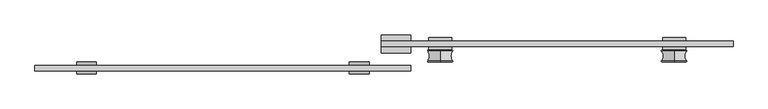
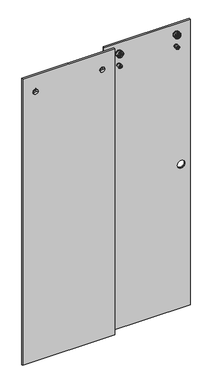
"""IFC4 building model written with IfcOpenShell, lengths in millimetres: proxy geometry."""

from ifc_helpers import new_model, si_unit, point, frame, frame_2d, origin, place, context, project, spatial, polyline, circle_curve, ellipse_curve, trimmed, segment, composite_curve, outline, extrude, source, transform, mapped, element, save
from ifc_brep_helpers import plane_surface, cylinder_surface, revolved_surface, advanced_brep


def specialty_equipment_37bfa9a5(model_context):
    return source(origin(), model_context, "Body", "SolidModel", [
        extrude(outline(polyline([(22.954, 0.0), (22.954, 21.2725), (33.8125, 21.2725), (33.8125, 4.2672), (43.3375, 4.2672), (43.3375, 21.2725), (54.196, 21.2725), (54.196, 0.0), (22.954, 0.0)])), frame((-4.7625, 0.0, 0.0), z_axis=(1.0, 0.0, 0.0), x_axis=(0.0, 1.0, 0.0)), (0.0, 0.0, 1.0), 50.8225782),
        advanced_brep(
        [(-42.8625, 7.14375, 2011.5609375), (-25.7175, 7.14375, 2011.5609375), (-60.0075, 7.14375, 2011.5609375), (-60.0075, -13.7914063, 2011.5609375), (-25.7175, -13.7914063, 2011.5609375), (-42.8625, -13.7914063, 2011.5609375), (-60.0075, -8.73125, 2011.5609375), (-25.7175, -8.73125, 2011.5609375), (-49.2125, -8.73125, 2011.5609375), (-36.5125, -8.73125, 2011.5609375), (-49.2125, 0.79375, 2011.5609375), (-36.5125, 0.79375, 2011.5609375), (-60.0075, 0.79375, 2011.5609375), (-25.7175, 0.79375, 2011.5609375)],
        [
            (0, 1),
            (1, 2, circle_curve(frame((-42.8625, 7.14375, 2011.5609375), z_axis=(0.0, 1.0, 0.0), x_axis=(1.0, 0.0, 0.0)), 17.145)),
            (2, 0),
            (2, 1, circle_curve(frame((-42.8625, 7.14375, 2011.5609375), z_axis=(0.0, 1.0, 0.0), x_axis=(1.0, 0.0, 0.0)), 17.145)),
            (3, 4, circle_curve(frame((-42.8625, -13.7914063, 2011.5609375), z_axis=(0.0, -1.0, 0.0), x_axis=(1.0, 0.0, 0.0)), 17.145)),
            (4, 5),
            (5, 3),
            (4, 3, circle_curve(frame((-42.8625, -13.7914063, 2011.5609375), z_axis=(0.0, -1.0, 0.0), x_axis=(1.0, 0.0, 0.0)), 17.145)),
            (6, 7, circle_curve(frame((-42.8625, -8.73125, 2011.5609375), z_axis=(0.0, -1.0, 0.0), x_axis=(1.0, 0.0, 0.0)), 17.145)),
            (7, 4),
            (3, 6),
            (7, 6, circle_curve(frame((-42.8625, -8.73125, 2011.5609375), z_axis=(0.0, -1.0, 0.0), x_axis=(1.0, 0.0, 0.0)), 17.145)),
            (8, 9, circle_curve(frame((-42.8625, -8.73125, 2011.5609375), z_axis=(0.0, -1.0, 0.0), x_axis=(1.0, 0.0, 0.0)), 6.35)),
            (9, 7),
            (6, 8),
            (9, 8, circle_curve(frame((-42.8625, -8.73125, 2011.5609375), z_axis=(0.0, -1.0, 0.0), x_axis=(1.0, 0.0, 0.0)), 6.35)),
            (10, 11, circle_curve(frame((-42.8625, 0.79375, 2011.5609375), z_axis=(0.0, -1.0, 0.0), x_axis=(1.0, 0.0, 0.0)), 6.35)),
            (11, 9),
            (8, 10),
            (11, 10, circle_curve(frame((-42.8625, 0.79375, 2011.5609375), z_axis=(0.0, -1.0, 0.0), x_axis=(1.0, 0.0, 0.0)), 6.35)),
            (12, 13, circle_curve(frame((-42.8625, 0.79375, 2011.5609375), z_axis=(0.0, -1.0, 0.0), x_axis=(1.0, 0.0, 0.0)), 17.145)),
            (13, 11),
            (10, 12),
            (13, 12, circle_curve(frame((-42.8625, 0.79375, 2011.5609375), z_axis=(0.0, -1.0, 0.0), x_axis=(1.0, 0.0, 0.0)), 17.145)),
            (1, 13),
            (12, 2),
        ],
        [
            plane_surface(frame((-42.8625, 7.14375, 2011.5609375), z_axis=(0.0, 1.0, 0.0), x_axis=(1.0, 0.0, 0.0))),
            plane_surface(frame((-42.8625, -13.7914063, 2011.5609375), z_axis=(0.0, -1.0, 0.0), x_axis=(1.0, 0.0, 0.0))),
            cylinder_surface(frame((-42.8625, 7.14375, 2011.5609375), z_axis=(0.0, 1.0, 0.0), x_axis=(1.0, 0.0, 0.0)), 17.145),
            plane_surface(frame((-42.8625, -8.73125, 2011.5609375), z_axis=(0.0, 1.0, 0.0), x_axis=(1.0, 0.0, 0.0))),
            cylinder_surface(frame((-42.8625, 7.14375, 2011.5609375), z_axis=(0.0, 1.0, 0.0), x_axis=(1.0, 0.0, 0.0)), 6.35),
            plane_surface(frame((-42.8625, 0.79375, 2011.5609375), z_axis=(0.0, -1.0, 0.0), x_axis=(1.0, 0.0, 0.0))),
        ],
        [
            (0, [[1, 2, 3]]),
            (0, [[-3, 4, -1]]),
            (1, [[5, 6, 7]]),
            (1, [[8, -7, -6]]),
            (2, [[9, 10, -5, 11]]),
            (2, [[12, -11, -8, -10]]),
            (3, [[13, 14, -9, 15]]),
            (3, [[16, -15, -12, -14]]),
            (4, [[17, 18, -13, 19]]),
            (4, [[20, -19, -16, -18]]),
            (5, [[21, 22, -17, 23]]),
            (5, [[24, -23, -20, -22]]),
            (2, [[-2, 25, -21, 26]]),
            (2, [[-4, -26, -24, -25]]),
        ],
    ),
        advanced_brep(
        [(-512.7625, 7.14375, 2011.5609375), (-495.6175, 7.14375, 2011.5609375), (-529.9075, 7.14375, 2011.5609375), (-529.9075, -13.7914063, 2011.5609375), (-495.6175, -13.7914063, 2011.5609375), (-512.7625, -13.7914063, 2011.5609375), (-529.9075, -8.73125, 2011.5609375), (-495.6175, -8.73125, 2011.5609375), (-519.1125, -8.73125, 2011.5609375), (-506.4125, -8.73125, 2011.5609375), (-519.1125, 0.79375, 2011.5609375), (-506.4125, 0.79375, 2011.5609375), (-529.9075, 0.79375, 2011.5609375), (-495.6175, 0.79375, 2011.5609375)],
        [
            (0, 1),
            (1, 2, circle_curve(frame((-512.7625, 7.14375, 2011.5609375), z_axis=(0.0, 1.0, 0.0), x_axis=(1.0, 0.0, 0.0)), 17.145)),
            (2, 0),
            (2, 1, circle_curve(frame((-512.7625, 7.14375, 2011.5609375), z_axis=(0.0, 1.0, 0.0), x_axis=(1.0, 0.0, 0.0)), 17.145)),
            (3, 4, circle_curve(frame((-512.7625, -13.7914063, 2011.5609375), z_axis=(0.0, -1.0, 0.0), x_axis=(1.0, 0.0, 0.0)), 17.145)),
            (4, 5),
            (5, 3),
            (4, 3, circle_curve(frame((-512.7625, -13.7914063, 2011.5609375), z_axis=(0.0, -1.0, 0.0), x_axis=(1.0, 0.0, 0.0)), 17.145)),
            (6, 7, circle_curve(frame((-512.7625, -8.73125, 2011.5609375), z_axis=(0.0, -1.0, 0.0), x_axis=(1.0, 0.0, 0.0)), 17.145)),
            (7, 4),
            (3, 6),
            (7, 6, circle_curve(frame((-512.7625, -8.73125, 2011.5609375), z_axis=(0.0, -1.0, 0.0), x_axis=(1.0, 0.0, 0.0)), 17.145)),
            (8, 9, circle_curve(frame((-512.7625, -8.73125, 2011.5609375), z_axis=(0.0, -1.0, 0.0), x_axis=(1.0, 0.0, 0.0)), 6.35)),
            (9, 7),
            (6, 8),
            (9, 8, circle_curve(frame((-512.7625, -8.73125, 2011.5609375), z_axis=(0.0, -1.0, 0.0), x_axis=(1.0, 0.0, 0.0)), 6.35)),
            (10, 11, circle_curve(frame((-512.7625, 0.79375, 2011.5609375), z_axis=(0.0, -1.0, 0.0), x_axis=(1.0, 0.0, 0.0)), 6.35)),
            (11, 9),
            (8, 10),
            (11, 10, circle_curve(frame((-512.7625, 0.79375, 2011.5609375), z_axis=(0.0, -1.0, 0.0), x_axis=(1.0, 0.0, 0.0)), 6.35)),
            (12, 13, circle_curve(frame((-512.7625, 0.79375, 2011.5609375), z_axis=(0.0, -1.0, 0.0), x_axis=(1.0, 0.0, 0.0)), 17.145)),
            (13, 11),
            (10, 12),
            (13, 12, circle_curve(frame((-512.7625, 0.79375, 2011.5609375), z_axis=(0.0, -1.0, 0.0), x_axis=(1.0, 0.0, 0.0)), 17.145)),
            (1, 13),
            (12, 2),
        ],
        [
            plane_surface(frame((-512.7625, 7.14375, 2011.5609375), z_axis=(0.0, 1.0, 0.0), x_axis=(1.0, 0.0, 0.0))),
            plane_surface(frame((-512.7625, -13.7914063, 2011.5609375), z_axis=(0.0, -1.0, 0.0), x_axis=(1.0, 0.0, 0.0))),
            cylinder_surface(frame((-512.7625, 7.14375, 2011.5609375), z_axis=(0.0, 1.0, 0.0), x_axis=(1.0, 0.0, 0.0)), 17.145),
            plane_surface(frame((-512.7625, -8.73125, 2011.5609375), z_axis=(0.0, 1.0, 0.0), x_axis=(1.0, 0.0, 0.0))),
            cylinder_surface(frame((-512.7625, 7.14375, 2011.5609375), z_axis=(0.0, 1.0, 0.0), x_axis=(1.0, 0.0, 0.0)), 6.35),
            plane_surface(frame((-512.7625, 0.79375, 2011.5609375), z_axis=(0.0, -1.0, 0.0), x_axis=(1.0, 0.0, 0.0))),
        ],
        [
            (0, [[1, 2, 3]]),
            (0, [[-3, 4, -1]]),
            (1, [[5, 6, 7]]),
            (1, [[8, -7, -6]]),
            (2, [[9, 10, -5, 11]]),
            (2, [[12, -11, -8, -10]]),
            (3, [[13, 14, -9, 15]]),
            (3, [[16, -15, -12, -14]]),
            (4, [[17, 18, -13, 19]]),
            (4, [[20, -19, -16, -18]]),
            (5, [[21, 22, -17, 23]]),
            (5, [[24, -23, -20, -22]]),
            (2, [[-2, 25, -21, 26]]),
            (2, [[-4, -26, -24, -25]]),
        ],
    ),
        extrude(outline(polyline([(46.0375, -8.73125), (-601.6625, -8.73125), (-601.6625, 0.79375), (46.0375, 0.79375), (46.0375, -8.73125)])), frame((0.0, 0.0, 6.35), z_axis=(0.0, 0.0, 1.0), x_axis=(1.0, 0.0, 0.0)), (0.0, 0.0, 1.0), 2127.25),
        advanced_brep(
        [(500.0625, 7.5883812, 1975.7082127), (500.0625, 7.5883812, 1968.0386623), (500.0625, 7.5883812, 1970.2859375), (500.0625, 7.5883812, 1973.4609375), (500.0625, 8.985918, 1984.1389114), (500.0625, 8.985918, 1959.6079636), (500.0625, 7.6256516, 1960.4379605), (500.0625, 7.6256516, 1983.3089145), (500.0625, 26.3538192, 1984.2064616), (500.0625, 26.3538192, 1959.5404134), (500.0625, 27.4625, 1973.4609375), (500.0625, 27.4625, 1970.2859375), (500.0625, 27.4625, 1959.5404134), (500.0625, 27.4625, 1984.2064616), (500.0625, 8.6630529, 1975.7082127), (500.0625, 8.6630529, 1968.0386623), (500.0625, 8.6630529, 1978.8596289), (500.0625, 8.6630529, 1964.8872461), (500.0625, 7.6256516, 1978.8596289), (500.0625, 7.6256516, 1964.8872461)],
        [
            (0, 1, circle_curve(frame((500.0625, 7.5883812, 1971.8734375), z_axis=(0.0, -1.0, 0.0), x_axis=(0.0, 0.0, -1.0)), 3.8347752)),
            (1, 2),
            (2, 3, circle_curve(frame((500.0625, 7.5883812, 1971.8734375), z_axis=(0.0, 1.0, 0.0), x_axis=(0.0, 0.0, -1.0)), 1.5875)),
            (3, 0),
            (1, 0, circle_curve(frame((500.0625, 7.5883812, 1971.8734375), z_axis=(0.0, -1.0, 0.0), x_axis=(0.0, 0.0, -1.0)), 3.8347752)),
            (3, 2, circle_curve(frame((500.0625, 7.5883812, 1971.8734375), z_axis=(0.0, 1.0, 0.0), x_axis=(0.0, 0.0, -1.0)), 1.5875)),
            (4, 5, circle_curve(frame((500.0625, 8.985918, 1971.8734375), z_axis=(0.0, -1.0, 0.0), x_axis=(0.0, 0.0, -1.0)), 12.2654739)),
            (5, 6, circle_curve(frame((500.0625, 8.5590054, 1960.4379605), z_axis=(-1.0, 0.0, 0.0), x_axis=(0.0, 1.0, 0.0)), 0.9333538)),
            (6, 7, circle_curve(frame((500.0625, 7.6256516, 1971.8734375), z_axis=(0.0, 1.0, 0.0), x_axis=(0.0, 0.0, -1.0)), 11.435477)),
            (7, 4, circle_curve(frame((500.0625, 8.5590054, 1983.3089145), z_axis=(-1.0, 0.0, 0.0), x_axis=(0.0, 1.0, 0.0)), 0.9333538)),
            (5, 4, circle_curve(frame((500.0625, 8.985918, 1971.8734375), z_axis=(0.0, -1.0, 0.0), x_axis=(0.0, 0.0, -1.0)), 12.2654739)),
            (7, 6, circle_curve(frame((500.0625, 7.6256516, 1971.8734375), z_axis=(0.0, 1.0, 0.0), x_axis=(0.0, 0.0, -1.0)), 11.435477)),
            (8, 9, circle_curve(frame((500.0625, 26.3538192, 1971.8734375), z_axis=(0.0, -1.0, 0.0), x_axis=(0.0, 0.0, -1.0)), 12.3330241)),
            (9, 5, circle_curve(frame((500.0625, 17.5686149, 1933.5407643), z_axis=(1.0, 0.0, 0.0), x_axis=(0.0, 1.0, 0.0)), 27.4437892)),
            (4, 8, circle_curve(frame((500.0625, 17.5686149, 2010.2061107), z_axis=(1.0, 0.0, 0.0), x_axis=(0.0, 1.0, 0.0)), 27.4437892)),
            (9, 8, circle_curve(frame((500.0625, 26.3538192, 1971.8734375), z_axis=(0.0, -1.0, 0.0), x_axis=(0.0, 0.0, -1.0)), 12.3330241)),
            (10, 11, circle_curve(frame((500.0625, 27.4625, 1971.8734375), z_axis=(0.0, -1.0, 0.0), x_axis=(0.0, 0.0, -1.0)), 1.5875)),
            (11, 12),
            (12, 13, circle_curve(frame((500.0625, 27.4625, 1971.8734375), z_axis=(0.0, 1.0, 0.0), x_axis=(0.0, 0.0, -1.0)), 12.3330241)),
            (13, 10),
            (11, 10, circle_curve(frame((500.0625, 27.4625, 1971.8734375), z_axis=(0.0, -1.0, 0.0), x_axis=(0.0, 0.0, -1.0)), 1.5875)),
            (13, 12, circle_curve(frame((500.0625, 27.4625, 1971.8734375), z_axis=(0.0, 1.0, 0.0), x_axis=(0.0, 0.0, -1.0)), 12.3330241)),
            (2, 11),
            (10, 3),
            (14, 15, circle_curve(frame((500.0625, 8.6630529, 1971.8734375), z_axis=(0.0, -1.0, 0.0), x_axis=(0.0, 0.0, -1.0)), 3.8347752)),
            (15, 1),
            (0, 14),
            (15, 14, circle_curve(frame((500.0625, 8.6630529, 1971.8734375), z_axis=(0.0, -1.0, 0.0), x_axis=(0.0, 0.0, -1.0)), 3.8347752)),
            (16, 17, circle_curve(frame((500.0625, 8.6630529, 1971.8734375), z_axis=(0.0, -1.0, 0.0), x_axis=(0.0, 0.0, -1.0)), 6.9861914)),
            (17, 15),
            (14, 16),
            (17, 16, circle_curve(frame((500.0625, 8.6630529, 1971.8734375), z_axis=(0.0, -1.0, 0.0), x_axis=(0.0, 0.0, -1.0)), 6.9861914)),
            (18, 19, circle_curve(frame((500.0625, 7.6256516, 1971.8734375), z_axis=(0.0, -1.0, 0.0), x_axis=(0.0, 0.0, -1.0)), 6.9861914)),
            (19, 17),
            (16, 18),
            (19, 18, circle_curve(frame((500.0625, 7.6256516, 1971.8734375), z_axis=(0.0, -1.0, 0.0), x_axis=(0.0, 0.0, -1.0)), 6.9861914)),
            (6, 19),
            (18, 7),
            (12, 9),
            (8, 13),
        ],
        [
            plane_surface(frame((500.0625, 7.5883812, 1971.8734375), z_axis=(0.0, -1.0, 0.0), x_axis=(0.0, 0.0, -1.0))),
            revolved_surface(trimmed(ellipse_curve(frame((500.0625, 8.5590054, 1960.4379605), z_axis=(1.0, 0.0, 0.0), x_axis=(0.0, 1.0, 0.0)), 0.9333538, 0.9333538), [point((500.0625, 7.6256516, 1960.4379605))], [point((500.0625, 8.985918, 1959.6079636))], True, "CARTESIAN"), (500.0625, -13.5349359, 1971.8734375), (0.0, 1.0, 0.0)),
            revolved_surface(trimmed(ellipse_curve(frame((500.0625, 17.5686149, 1933.5407643), z_axis=(-1.0, 0.0, 0.0), x_axis=(0.0, 1.0, 0.0)), 27.4437892, 27.4437892), [point((500.0625, 8.985918, 1959.6079636))], [point((500.0625, 26.3538192, 1959.5404134))], True, "CARTESIAN"), (500.0625, -13.5349359, 1971.8734375), (0.0, 1.0, 0.0)),
            plane_surface(frame((500.0625, 27.4625, 1971.8734375), z_axis=(0.0, 1.0, 0.0), x_axis=(0.0, 0.0, -1.0))),
            revolved_surface(polyline([(500.0625, 27.4625, 1970.2859374999998), (500.0625, 7.588381200000001, 1970.2859374999998)]), (500.0625, -13.5349359, 1971.8734375), (0.0, 1.0, 0.0)),
            cylinder_surface(frame((500.0625, -13.5349359, 1971.8734375), z_axis=(0.0, 1.0, 0.0), x_axis=(0.0, 0.0, -1.0)), 3.8347752),
            plane_surface(frame((500.0625, 8.6630529, 1971.8734375), z_axis=(0.0, -1.0, 0.0), x_axis=(0.0, 0.0, -1.0))),
            revolved_surface(polyline([(500.0625, 8.6630529, 1964.8872460999999), (500.0625, 7.625651600000001, 1964.8872460999999)]), (500.0625, -13.5349359, 1971.8734375), (0.0, 1.0, 0.0)),
            plane_surface(frame((500.0625, 7.6256516, 1971.8734375), z_axis=(0.0, -1.0, 0.0), x_axis=(0.0, 0.0, -1.0))),
            cylinder_surface(frame((500.0625, -13.5349359, 1971.8734375), z_axis=(0.0, 1.0, 0.0), x_axis=(0.0, 0.0, -1.0)), 12.3330241),
        ],
        [
            (0, [[1, 2, 3, 4]]),
            (0, [[5, -4, 6, -2]]),
            (1, [[7, 8, 9, 10]]),
            (1, [[11, -10, 12, -8]]),
            (2, [[13, 14, -7, 15]]),
            (2, [[16, -15, -11, -14]]),
            (3, [[17, 18, 19, 20]]),
            (3, [[21, -20, 22, -18]]),
            (4, [[-3, 23, -17, 24]]),
            (4, [[-6, -24, -21, -23]]),
            (5, [[25, 26, -1, 27]]),
            (5, [[28, -27, -5, -26]]),
            (6, [[29, 30, -25, 31]]),
            (6, [[32, -31, -28, -30]]),
            (7, [[33, 34, -29, 35]]),
            (7, [[36, -35, -32, -34]]),
            (8, [[-9, 37, -33, 38]]),
            (8, [[-12, -38, -36, -37]]),
            (9, [[-19, 39, -13, 40]]),
            (9, [[-22, -40, -16, -39]]),
        ],
    ),
        advanced_brep(
        [(500.0625, 23.9534145, 2074.7365624), (500.0625, 23.9534145, 2046.8103126), (500.0625, 27.4625, 2046.8103126), (500.0625, 27.4625, 2074.7365624), (500.0625, 23.9534145, 2067.0068419), (500.0625, 23.9534145, 2054.5400331), (500.0625, 27.4625, 2067.0068419), (500.0625, 27.4625, 2054.5400331), (500.0625, 27.4625, 2062.3609375), (500.0625, 27.4625, 2059.1859375), (500.0625, 7.4625, 2067.0068419), (500.0625, 7.4625, 2054.5400331), (500.0625, 7.4625, 2059.1859375), (500.0625, 7.4625, 2062.3609375), (500.0625, 8.6630529, 2067.0068419), (500.0625, 8.6630529, 2054.5400331), (500.0625, 8.6630529, 2074.7365624), (500.0625, 8.6630529, 2046.8103126), (500.0625, 7.4625, 2074.7365624), (500.0625, 7.4625, 2046.8103126), (500.0625, 7.4625, 2081.7122212), (500.0625, 7.4625, 2039.8346538), (500.0625, 8.8478411, 2082.6587111), (500.0625, 8.8478411, 2038.8881639), (500.0625, 26.0771589, 2082.6587111), (500.0625, 26.0771589, 2038.8881639), (500.0625, 27.4625, 2081.7122212), (500.0625, 27.4625, 2039.8346538)],
        [
            (0, 1, circle_curve(frame((500.0625, 23.9534145, 2060.7734375), z_axis=(0.0, -1.0, 0.0), x_axis=(0.0, 0.0, -1.0)), 13.9631249)),
            (1, 2),
            (2, 3, circle_curve(frame((500.0625, 27.4625, 2060.7734375), z_axis=(0.0, 1.0, 0.0), x_axis=(0.0, 0.0, -1.0)), 13.9631249)),
            (3, 0),
            (1, 0, circle_curve(frame((500.0625, 23.9534145, 2060.7734375), z_axis=(0.0, -1.0, 0.0), x_axis=(0.0, 0.0, -1.0)), 13.9631249)),
            (3, 2, circle_curve(frame((500.0625, 27.4625, 2060.7734375), z_axis=(0.0, 1.0, 0.0), x_axis=(0.0, 0.0, -1.0)), 13.9631249)),
            (4, 5, circle_curve(frame((500.0625, 23.9534145, 2060.7734375), z_axis=(0.0, -1.0, 0.0), x_axis=(0.0, 0.0, -1.0)), 6.2334044)),
            (5, 1),
            (0, 4),
            (5, 4, circle_curve(frame((500.0625, 23.9534145, 2060.7734375), z_axis=(0.0, -1.0, 0.0), x_axis=(0.0, 0.0, -1.0)), 6.2334044)),
            (6, 7, circle_curve(frame((500.0625, 27.4625, 2060.7734375), z_axis=(0.0, -1.0, 0.0), x_axis=(0.0, 0.0, -1.0)), 6.2334044)),
            (7, 5),
            (4, 6),
            (7, 6, circle_curve(frame((500.0625, 27.4625, 2060.7734375), z_axis=(0.0, -1.0, 0.0), x_axis=(0.0, 0.0, -1.0)), 6.2334044)),
            (8, 9, circle_curve(frame((500.0625, 27.4625, 2060.7734375), z_axis=(0.0, -1.0, 0.0), x_axis=(0.0, 0.0, -1.0)), 1.5875)),
            (9, 7),
            (6, 8),
            (9, 8, circle_curve(frame((500.0625, 27.4625, 2060.7734375), z_axis=(0.0, -1.0, 0.0), x_axis=(0.0, 0.0, -1.0)), 1.5875)),
            (10, 11, circle_curve(frame((500.0625, 7.4625, 2060.7734375), z_axis=(0.0, -1.0, 0.0), x_axis=(0.0, 0.0, -1.0)), 6.2334044)),
            (11, 12),
            (12, 13, circle_curve(frame((500.0625, 7.4625, 2060.7734375), z_axis=(0.0, 1.0, 0.0), x_axis=(0.0, 0.0, -1.0)), 1.5875)),
            (13, 10),
            (11, 10, circle_curve(frame((500.0625, 7.4625, 2060.7734375), z_axis=(0.0, -1.0, 0.0), x_axis=(0.0, 0.0, -1.0)), 6.2334044)),
            (13, 12, circle_curve(frame((500.0625, 7.4625, 2060.7734375), z_axis=(0.0, 1.0, 0.0), x_axis=(0.0, 0.0, -1.0)), 1.5875)),
            (14, 15, circle_curve(frame((500.0625, 8.6630529, 2060.7734375), z_axis=(0.0, -1.0, 0.0), x_axis=(0.0, 0.0, -1.0)), 6.2334044)),
            (15, 11),
            (10, 14),
            (15, 14, circle_curve(frame((500.0625, 8.6630529, 2060.7734375), z_axis=(0.0, -1.0, 0.0), x_axis=(0.0, 0.0, -1.0)), 6.2334044)),
            (16, 17, circle_curve(frame((500.0625, 8.6630529, 2060.7734375), z_axis=(0.0, -1.0, 0.0), x_axis=(0.0, 0.0, -1.0)), 13.9631249)),
            (17, 15),
            (14, 16),
            (17, 16, circle_curve(frame((500.0625, 8.6630529, 2060.7734375), z_axis=(0.0, -1.0, 0.0), x_axis=(0.0, 0.0, -1.0)), 13.9631249)),
            (18, 19, circle_curve(frame((500.0625, 7.4625, 2060.7734375), z_axis=(0.0, -1.0, 0.0), x_axis=(0.0, 0.0, -1.0)), 13.9631249)),
            (19, 17),
            (16, 18),
            (19, 18, circle_curve(frame((500.0625, 7.4625, 2060.7734375), z_axis=(0.0, -1.0, 0.0), x_axis=(0.0, 0.0, -1.0)), 13.9631249)),
            (20, 21, circle_curve(frame((500.0625, 7.4625, 2060.7734375), z_axis=(0.0, -1.0, 0.0), x_axis=(0.0, 0.0, -1.0)), 20.9387837)),
            (21, 19),
            (18, 20),
            (21, 20, circle_curve(frame((500.0625, 7.4625, 2060.7734375), z_axis=(0.0, -1.0, 0.0), x_axis=(0.0, 0.0, -1.0)), 20.9387837)),
            (22, 23, circle_curve(frame((500.0625, 8.8478411, 2060.7734375), z_axis=(0.0, -1.0, 0.0), x_axis=(0.0, 0.0, -1.0)), 21.8852736)),
            (23, 21, circle_curve(frame((500.0625, 8.4785, 2039.8346538), z_axis=(-1.0, 0.0, 0.0), x_axis=(0.0, 1.0, 0.0)), 1.016)),
            (20, 22, circle_curve(frame((500.0625, 8.4785, 2081.7122212), z_axis=(-1.0, 0.0, 0.0), x_axis=(0.0, 1.0, 0.0)), 1.016)),
            (23, 22, circle_curve(frame((500.0625, 8.8478411, 2060.7734375), z_axis=(0.0, -1.0, 0.0), x_axis=(0.0, 0.0, -1.0)), 21.8852736)),
            (24, 25, circle_curve(frame((500.0625, 26.0771589, 2060.7734375), z_axis=(0.0, -1.0, 0.0), x_axis=(0.0, 0.0, -1.0)), 21.8852736)),
            (25, 23, circle_curve(frame((500.0625, 17.4625, 2029.5308223), z_axis=(1.0, 0.0, 0.0), x_axis=(0.0, 1.0, 0.0)), 12.7189697)),
            (22, 24, circle_curve(frame((500.0625, 17.4625, 2092.0160527), z_axis=(1.0, 0.0, 0.0), x_axis=(0.0, 1.0, 0.0)), 12.7189697)),
            (25, 24, circle_curve(frame((500.0625, 26.0771589, 2060.7734375), z_axis=(0.0, -1.0, 0.0), x_axis=(0.0, 0.0, -1.0)), 21.8852736)),
            (26, 27, circle_curve(frame((500.0625, 27.4625, 2060.7734375), z_axis=(0.0, -1.0, 0.0), x_axis=(0.0, 0.0, -1.0)), 20.9387837)),
            (27, 25, circle_curve(frame((500.0625, 26.4465, 2039.8346538), z_axis=(-1.0, 0.0, 0.0), x_axis=(0.0, 1.0, 0.0)), 1.016)),
            (24, 26, circle_curve(frame((500.0625, 26.4465, 2081.7122212), z_axis=(-1.0, 0.0, 0.0), x_axis=(0.0, 1.0, 0.0)), 1.016)),
            (27, 26, circle_curve(frame((500.0625, 27.4625, 2060.7734375), z_axis=(0.0, -1.0, 0.0), x_axis=(0.0, 0.0, -1.0)), 20.9387837)),
            (2, 27),
            (26, 3),
            (12, 9),
            (8, 13),
        ],
        [
            revolved_surface(polyline([(500.0625, 27.4625, 2046.8103126), (500.0625, 23.9534145, 2046.8103126)]), (500.0625, -10.752517, 2060.7734375), (0.0, 1.0, 0.0)),
            plane_surface(frame((500.0625, 23.9534145, 2060.7734375), z_axis=(0.0, 1.0, 0.0), x_axis=(0.0, 0.0, -1.0))),
            cylinder_surface(frame((500.0625, -10.752517, 2060.7734375), z_axis=(0.0, 1.0, 0.0), x_axis=(0.0, 0.0, -1.0)), 6.2334044),
            plane_surface(frame((500.0625, 27.4625, 2060.7734375), z_axis=(0.0, 1.0, 0.0), x_axis=(0.0, 0.0, -1.0))),
            plane_surface(frame((500.0625, 7.4625, 2060.7734375), z_axis=(0.0, -1.0, 0.0), x_axis=(0.0, 0.0, -1.0))),
            plane_surface(frame((500.0625, 8.6630529, 2060.7734375), z_axis=(0.0, -1.0, 0.0), x_axis=(0.0, 0.0, -1.0))),
            revolved_surface(polyline([(500.0625, 8.663052900000002, 2046.8103126), (500.0625, 7.4625, 2046.8103126)]), (500.0625, -10.752517, 2060.7734375), (0.0, 1.0, 0.0)),
            revolved_surface(trimmed(ellipse_curve(frame((500.0625, 8.4785, 2039.8346538), z_axis=(1.0, 0.0, 0.0), x_axis=(0.0, 1.0, 0.0)), 1.016, 1.016), [point((500.0625, 7.4625, 2039.8346538))], [point((500.0625, 8.8478411, 2038.8881639))], True, "CARTESIAN"), (500.0625, -10.752517, 2060.7734375), (0.0, 1.0, 0.0)),
            revolved_surface(trimmed(ellipse_curve(frame((500.0625, 17.4625, 2029.5308223), z_axis=(-1.0, 0.0, 0.0), x_axis=(0.0, 1.0, 0.0)), 12.7189697, 12.7189697), [point((500.0625, 8.8478411, 2038.8881639))], [point((500.0625, 26.0771589, 2038.8881639))], True, "CARTESIAN"), (500.0625, -10.752517, 2060.7734375), (0.0, 1.0, 0.0)),
            revolved_surface(trimmed(ellipse_curve(frame((500.0625, 26.4465, 2039.8346538), z_axis=(1.0, 0.0, 0.0), x_axis=(0.0, 1.0, 0.0)), 1.016, 1.016), [point((500.0625, 26.0771589, 2038.8881639))], [point((500.0625, 27.4625, 2039.8346538))], True, "CARTESIAN"), (500.0625, -10.752517, 2060.7734375), (0.0, 1.0, 0.0)),
            revolved_surface(polyline([(500.0625, 27.4625, 2059.1859375), (500.0625, 7.4625, 2059.1859375)]), (500.0625, -10.752517, 2060.7734375), (0.0, 1.0, 0.0)),
        ],
        [
            (0, [[1, 2, 3, 4]]),
            (0, [[5, -4, 6, -2]]),
            (1, [[7, 8, -1, 9]]),
            (1, [[10, -9, -5, -8]]),
            (2, [[11, 12, -7, 13]]),
            (2, [[14, -13, -10, -12]]),
            (3, [[15, 16, -11, 17]]),
            (3, [[18, -17, -14, -16]]),
            (4, [[19, 20, 21, 22]]),
            (4, [[23, -22, 24, -20]]),
            (2, [[25, 26, -19, 27]]),
            (2, [[28, -27, -23, -26]]),
            (5, [[29, 30, -25, 31]]),
            (5, [[32, -31, -28, -30]]),
            (6, [[33, 34, -29, 35]]),
            (6, [[36, -35, -32, -34]]),
            (4, [[37, 38, -33, 39]]),
            (4, [[40, -39, -36, -38]]),
            (7, [[41, 42, -37, 43]]),
            (7, [[44, -43, -40, -42]]),
            (8, [[45, 46, -41, 47]]),
            (8, [[48, -47, -44, -46]]),
            (9, [[49, 50, -45, 51]]),
            (9, [[52, -51, -48, -50]]),
            (3, [[-3, 53, -49, 54]]),
            (3, [[-6, -54, -52, -53]]),
            (10, [[-21, 55, -15, 56]]),
            (10, [[-24, -56, -18, -55]]),
        ],
    ),
        extrude(outline(composite_curve([segment(trimmed(circle_curve(frame_2d((1971.8734375, 500.0625)), 6.35), [point((1971.8734375, 493.7125))], [point((1971.8734375, 506.4125))], False, "CARTESIAN"), True, "CONTINUOUS"), segment(trimmed(circle_curve(frame_2d((1971.8734375, 500.0625)), 6.35), [point((1971.8734375, 506.4125))], [point((1971.8734375, 493.7125))], False, "CARTESIAN"), True, "CONTINUOUS")], self_intersect=False)), frame((0.0, 33.8125, 0.0), z_axis=(0.0, 1.0, 0.0), x_axis=(0.0, 0.0, 1.0)), (0.0, 0.0, 1.0), 9.525),
        extrude(outline(composite_curve([segment(trimmed(circle_curve(frame_2d((2060.7734375, 500.0625)), 6.35), [point((2060.7734375, 493.7125))], [point((2060.7734375, 506.4125))], False, "CARTESIAN"), True, "CONTINUOUS"), segment(trimmed(circle_curve(frame_2d((2060.7734375, 500.0625)), 6.35), [point((2060.7734375, 506.4125))], [point((2060.7734375, 493.7125))], False, "CARTESIAN"), True, "CONTINUOUS")], self_intersect=False)), frame((0.0, 33.8125, 0.0), z_axis=(0.0, 1.0, 0.0), x_axis=(0.0, 0.0, 1.0)), (0.0, 0.0, 1.0), 9.525),
        extrude(outline(composite_curve([segment(trimmed(circle_curve(frame_2d((1971.8734375, 500.0625)), 12.2900341), [point((1971.8734375, 487.7724659))], [point((1971.8734375, 512.3525341))], False, "CARTESIAN"), True, "CONTINUOUS"), segment(trimmed(circle_curve(frame_2d((1971.8734375, 500.0625)), 12.2900341), [point((1971.8734375, 512.3525341))], [point((1971.8734375, 487.7724659))], False, "CARTESIAN"), True, "CONTINUOUS")], self_intersect=False)), frame((0.0, 43.3375, 0.0), z_axis=(0.0, 1.0, 0.0), x_axis=(0.0, 0.0, 1.0)), (0.0, 0.0, 1.0), 5.7785),
        extrude(outline(composite_curve([segment(trimmed(circle_curve(frame_2d((2060.7734375, 500.0625)), 19.939), [point((2060.7734375, 480.1235))], [point((2060.7734375, 520.0015))], False, "CARTESIAN"), True, "CONTINUOUS"), segment(trimmed(circle_curve(frame_2d((2060.7734375, 500.0625)), 19.939), [point((2060.7734375, 520.0015))], [point((2060.7734375, 480.1235))], False, "CARTESIAN"), True, "CONTINUOUS")], self_intersect=False)), frame((0.0, 43.3375, 0.0), z_axis=(0.0, 1.0, 0.0), x_axis=(0.0, 0.0, 1.0)), (0.0, 0.0, 1.0), 5.7625),
        extrude(outline(composite_curve([segment(trimmed(circle_curve(frame_2d((2060.7734375, 500.0625)), 19.939), [point((2060.7734375, 480.1235))], [point((2060.7734375, 520.0015))], False, "CARTESIAN"), True, "CONTINUOUS"), segment(trimmed(circle_curve(frame_2d((2060.7734375, 500.0625)), 19.939), [point((2060.7734375, 520.0015))], [point((2060.7734375, 480.1235))], False, "CARTESIAN"), True, "CONTINUOUS")], self_intersect=False)), frame((0.0, 27.4625, 0.0), z_axis=(0.0, 1.0, 0.0), x_axis=(0.0, 0.0, 1.0)), (0.0, 0.0, 1.0), 6.35),
        extrude(outline(composite_curve([segment(trimmed(circle_curve(frame_2d((1971.8734375, 500.0625)), 12.3344302), [point((1971.8734375, 487.7280698))], [point((1971.8734375, 512.3969302))], False, "CARTESIAN"), True, "CONTINUOUS"), segment(trimmed(circle_curve(frame_2d((1971.8734375, 500.0625)), 12.3344302), [point((1971.8734375, 512.3969302))], [point((1971.8734375, 487.7280698))], False, "CARTESIAN"), True, "CONTINUOUS")], self_intersect=False)), frame((0.0, 27.4625, 0.0), z_axis=(0.0, 1.0, 0.0), x_axis=(0.0, 0.0, 1.0)), (0.0, 0.0, 1.0), 6.35),
        advanced_brep(
        [(96.8375, 7.5883812, 1975.7082127), (96.8375, 7.5883812, 1968.0386623), (96.8375, 7.5883812, 1970.2859375), (96.8375, 7.5883812, 1973.4609375), (96.8375, 8.985918, 1984.1389114), (96.8375, 8.985918, 1959.6079636), (96.8375, 7.6256516, 1960.4379605), (96.8375, 7.6256516, 1983.3089145), (96.8375, 26.3538192, 1984.2064616), (96.8375, 26.3538192, 1959.5404134), (96.8375, 27.4625, 1973.4609375), (96.8375, 27.4625, 1970.2859375), (96.8375, 27.4625, 1959.5404134), (96.8375, 27.4625, 1984.2064616), (96.8375, 8.6630529, 1975.7082127), (96.8375, 8.6630529, 1968.0386623), (96.8375, 8.6630529, 1978.8596289), (96.8375, 8.6630529, 1964.8872461), (96.8375, 7.6256516, 1978.8596289), (96.8375, 7.6256516, 1964.8872461)],
        [
            (0, 1, circle_curve(frame((96.8375, 7.5883812, 1971.8734375), z_axis=(0.0, -1.0, 0.0), x_axis=(0.0, 0.0, -1.0)), 3.8347752)),
            (1, 2),
            (2, 3, circle_curve(frame((96.8375, 7.5883812, 1971.8734375), z_axis=(0.0, 1.0, 0.0), x_axis=(0.0, 0.0, -1.0)), 1.5875)),
            (3, 0),
            (1, 0, circle_curve(frame((96.8375, 7.5883812, 1971.8734375), z_axis=(0.0, -1.0, 0.0), x_axis=(0.0, 0.0, -1.0)), 3.8347752)),
            (3, 2, circle_curve(frame((96.8375, 7.5883812, 1971.8734375), z_axis=(0.0, 1.0, 0.0), x_axis=(0.0, 0.0, -1.0)), 1.5875)),
            (4, 5, circle_curve(frame((96.8375, 8.985918, 1971.8734375), z_axis=(0.0, -1.0, 0.0), x_axis=(0.0, 0.0, -1.0)), 12.2654739)),
            (5, 6, circle_curve(frame((96.8375, 8.5590054, 1960.4379605), z_axis=(-1.0, 0.0, 0.0), x_axis=(0.0, 1.0, 0.0)), 0.9333538)),
            (6, 7, circle_curve(frame((96.8375, 7.6256516, 1971.8734375), z_axis=(0.0, 1.0, 0.0), x_axis=(0.0, 0.0, -1.0)), 11.435477)),
            (7, 4, circle_curve(frame((96.8375, 8.5590054, 1983.3089145), z_axis=(-1.0, 0.0, 0.0), x_axis=(0.0, 1.0, 0.0)), 0.9333538)),
            (5, 4, circle_curve(frame((96.8375, 8.985918, 1971.8734375), z_axis=(0.0, -1.0, 0.0), x_axis=(0.0, 0.0, -1.0)), 12.2654739)),
            (7, 6, circle_curve(frame((96.8375, 7.6256516, 1971.8734375), z_axis=(0.0, 1.0, 0.0), x_axis=(0.0, 0.0, -1.0)), 11.435477)),
            (8, 9, circle_curve(frame((96.8375, 26.3538192, 1971.8734375), z_axis=(0.0, -1.0, 0.0), x_axis=(0.0, 0.0, -1.0)), 12.3330241)),
            (9, 5, circle_curve(frame((96.8375, 17.5686149, 1933.5407643), z_axis=(1.0, 0.0, 0.0), x_axis=(0.0, 1.0, 0.0)), 27.4437892)),
            (4, 8, circle_curve(frame((96.8375, 17.5686149, 2010.2061107), z_axis=(1.0, 0.0, 0.0), x_axis=(0.0, 1.0, 0.0)), 27.4437892)),
            (9, 8, circle_curve(frame((96.8375, 26.3538192, 1971.8734375), z_axis=(0.0, -1.0, 0.0), x_axis=(0.0, 0.0, -1.0)), 12.3330241)),
            (10, 11, circle_curve(frame((96.8375, 27.4625, 1971.8734375), z_axis=(0.0, -1.0, 0.0), x_axis=(0.0, 0.0, -1.0)), 1.5875)),
            (11, 12),
            (12, 13, circle_curve(frame((96.8375, 27.4625, 1971.8734375), z_axis=(0.0, 1.0, 0.0), x_axis=(0.0, 0.0, -1.0)), 12.3330241)),
            (13, 10),
            (11, 10, circle_curve(frame((96.8375, 27.4625, 1971.8734375), z_axis=(0.0, -1.0, 0.0), x_axis=(0.0, 0.0, -1.0)), 1.5875)),
            (13, 12, circle_curve(frame((96.8375, 27.4625, 1971.8734375), z_axis=(0.0, 1.0, 0.0), x_axis=(0.0, 0.0, -1.0)), 12.3330241)),
            (2, 11),
            (10, 3),
            (14, 15, circle_curve(frame((96.8375, 8.6630529, 1971.8734375), z_axis=(0.0, -1.0, 0.0), x_axis=(0.0, 0.0, -1.0)), 3.8347752)),
            (15, 1),
            (0, 14),
            (15, 14, circle_curve(frame((96.8375, 8.6630529, 1971.8734375), z_axis=(0.0, -1.0, 0.0), x_axis=(0.0, 0.0, -1.0)), 3.8347752)),
            (16, 17, circle_curve(frame((96.8375, 8.6630529, 1971.8734375), z_axis=(0.0, -1.0, 0.0), x_axis=(0.0, 0.0, -1.0)), 6.9861914)),
            (17, 15),
            (14, 16),
            (17, 16, circle_curve(frame((96.8375, 8.6630529, 1971.8734375), z_axis=(0.0, -1.0, 0.0), x_axis=(0.0, 0.0, -1.0)), 6.9861914)),
            (18, 19, circle_curve(frame((96.8375, 7.6256516, 1971.8734375), z_axis=(0.0, -1.0, 0.0), x_axis=(0.0, 0.0, -1.0)), 6.9861914)),
            (19, 17),
            (16, 18),
            (19, 18, circle_curve(frame((96.8375, 7.6256516, 1971.8734375), z_axis=(0.0, -1.0, 0.0), x_axis=(0.0, 0.0, -1.0)), 6.9861914)),
            (6, 19),
            (18, 7),
            (12, 9),
            (8, 13),
        ],
        [
            plane_surface(frame((96.8375, 7.5883812, 1971.8734375), z_axis=(0.0, -1.0, 0.0), x_axis=(0.0, 0.0, -1.0))),
            revolved_surface(trimmed(ellipse_curve(frame((96.8375, 8.5590054, 1960.4379605), z_axis=(1.0, 0.0, 0.0), x_axis=(0.0, 1.0, 0.0)), 0.9333538, 0.9333538), [point((96.8375, 7.6256516, 1960.4379605))], [point((96.8375, 8.985918, 1959.6079636))], True, "CARTESIAN"), (96.8375, -13.5349359, 1971.8734375), (0.0, 1.0, 0.0)),
            revolved_surface(trimmed(ellipse_curve(frame((96.8375, 17.5686149, 1933.5407643), z_axis=(-1.0, 0.0, 0.0), x_axis=(0.0, 1.0, 0.0)), 27.4437892, 27.4437892), [point((96.8375, 8.985918, 1959.6079636))], [point((96.8375, 26.3538192, 1959.5404134))], True, "CARTESIAN"), (96.8375, -13.5349359, 1971.8734375), (0.0, 1.0, 0.0)),
            plane_surface(frame((96.8375, 27.4625, 1971.8734375), z_axis=(0.0, 1.0, 0.0), x_axis=(0.0, 0.0, -1.0))),
            revolved_surface(polyline([(96.8375, 27.4625, 1970.2859374999998), (96.8375, 7.588381200000001, 1970.2859374999998)]), (96.8375, -13.5349359, 1971.8734375), (0.0, 1.0, 0.0)),
            cylinder_surface(frame((96.8375, -13.5349359, 1971.8734375), z_axis=(0.0, 1.0, 0.0), x_axis=(0.0, 0.0, -1.0)), 3.8347752),
            plane_surface(frame((96.8375, 8.6630529, 1971.8734375), z_axis=(0.0, -1.0, 0.0), x_axis=(0.0, 0.0, -1.0))),
            revolved_surface(polyline([(96.8375, 8.6630529, 1964.8872460999999), (96.8375, 7.625651600000001, 1964.8872460999999)]), (96.8375, -13.5349359, 1971.8734375), (0.0, 1.0, 0.0)),
            plane_surface(frame((96.8375, 7.6256516, 1971.8734375), z_axis=(0.0, -1.0, 0.0), x_axis=(0.0, 0.0, -1.0))),
            cylinder_surface(frame((96.8375, -13.5349359, 1971.8734375), z_axis=(0.0, 1.0, 0.0), x_axis=(0.0, 0.0, -1.0)), 12.3330241),
        ],
        [
            (0, [[1, 2, 3, 4]]),
            (0, [[5, -4, 6, -2]]),
            (1, [[7, 8, 9, 10]]),
            (1, [[11, -10, 12, -8]]),
            (2, [[13, 14, -7, 15]]),
            (2, [[16, -15, -11, -14]]),
            (3, [[17, 18, 19, 20]]),
            (3, [[21, -20, 22, -18]]),
            (4, [[-3, 23, -17, 24]]),
            (4, [[-6, -24, -21, -23]]),
            (5, [[25, 26, -1, 27]]),
            (5, [[28, -27, -5, -26]]),
            (6, [[29, 30, -25, 31]]),
            (6, [[32, -31, -28, -30]]),
            (7, [[33, 34, -29, 35]]),
            (7, [[36, -35, -32, -34]]),
            (8, [[-9, 37, -33, 38]]),
            (8, [[-12, -38, -36, -37]]),
            (9, [[-19, 39, -13, 40]]),
            (9, [[-22, -40, -16, -39]]),
        ],
    ),
        advanced_brep(
        [(96.8375, 23.9534145, 2074.7365624), (96.8375, 23.9534145, 2046.8103126), (96.8375, 27.4625, 2046.8103126), (96.8375, 27.4625, 2074.7365624), (96.8375, 23.9534145, 2067.0068419), (96.8375, 23.9534145, 2054.5400331), (96.8375, 27.4625, 2067.0068419), (96.8375, 27.4625, 2054.5400331), (96.8375, 27.4625, 2062.3609375), (96.8375, 27.4625, 2059.1859375), (96.8375, 7.4625, 2067.0068419), (96.8375, 7.4625, 2054.5400331), (96.8375, 7.4625, 2059.1859375), (96.8375, 7.4625, 2062.3609375), (96.8375, 8.6630529, 2067.0068419), (96.8375, 8.6630529, 2054.5400331), (96.8375, 8.6630529, 2074.7365624), (96.8375, 8.6630529, 2046.8103126), (96.8375, 7.4625, 2074.7365624), (96.8375, 7.4625, 2046.8103126), (96.8375, 7.4625, 2081.7122212), (96.8375, 7.4625, 2039.8346538), (96.8375, 8.8478411, 2082.6587111), (96.8375, 8.8478411, 2038.8881639), (96.8375, 26.0771589, 2082.6587111), (96.8375, 26.0771589, 2038.8881639), (96.8375, 27.4625, 2081.7122212), (96.8375, 27.4625, 2039.8346538)],
        [
            (0, 1, circle_curve(frame((96.8375, 23.9534145, 2060.7734375), z_axis=(0.0, -1.0, 0.0), x_axis=(0.0, 0.0, -1.0)), 13.9631249)),
            (1, 2),
            (2, 3, circle_curve(frame((96.8375, 27.4625, 2060.7734375), z_axis=(0.0, 1.0, 0.0), x_axis=(0.0, 0.0, -1.0)), 13.9631249)),
            (3, 0),
            (1, 0, circle_curve(frame((96.8375, 23.9534145, 2060.7734375), z_axis=(0.0, -1.0, 0.0), x_axis=(0.0, 0.0, -1.0)), 13.9631249)),
            (3, 2, circle_curve(frame((96.8375, 27.4625, 2060.7734375), z_axis=(0.0, 1.0, 0.0), x_axis=(0.0, 0.0, -1.0)), 13.9631249)),
            (4, 5, circle_curve(frame((96.8375, 23.9534145, 2060.7734375), z_axis=(0.0, -1.0, 0.0), x_axis=(0.0, 0.0, -1.0)), 6.2334044)),
            (5, 1),
            (0, 4),
            (5, 4, circle_curve(frame((96.8375, 23.9534145, 2060.7734375), z_axis=(0.0, -1.0, 0.0), x_axis=(0.0, 0.0, -1.0)), 6.2334044)),
            (6, 7, circle_curve(frame((96.8375, 27.4625, 2060.7734375), z_axis=(0.0, -1.0, 0.0), x_axis=(0.0, 0.0, -1.0)), 6.2334044)),
            (7, 5),
            (4, 6),
            (7, 6, circle_curve(frame((96.8375, 27.4625, 2060.7734375), z_axis=(0.0, -1.0, 0.0), x_axis=(0.0, 0.0, -1.0)), 6.2334044)),
            (8, 9, circle_curve(frame((96.8375, 27.4625, 2060.7734375), z_axis=(0.0, -1.0, 0.0), x_axis=(0.0, 0.0, -1.0)), 1.5875)),
            (9, 7),
            (6, 8),
            (9, 8, circle_curve(frame((96.8375, 27.4625, 2060.7734375), z_axis=(0.0, -1.0, 0.0), x_axis=(0.0, 0.0, -1.0)), 1.5875)),
            (10, 11, circle_curve(frame((96.8375, 7.4625, 2060.7734375), z_axis=(0.0, -1.0, 0.0), x_axis=(0.0, 0.0, -1.0)), 6.2334044)),
            (11, 12),
            (12, 13, circle_curve(frame((96.8375, 7.4625, 2060.7734375), z_axis=(0.0, 1.0, 0.0), x_axis=(0.0, 0.0, -1.0)), 1.5875)),
            (13, 10),
            (11, 10, circle_curve(frame((96.8375, 7.4625, 2060.7734375), z_axis=(0.0, -1.0, 0.0), x_axis=(0.0, 0.0, -1.0)), 6.2334044)),
            (13, 12, circle_curve(frame((96.8375, 7.4625, 2060.7734375), z_axis=(0.0, 1.0, 0.0), x_axis=(0.0, 0.0, -1.0)), 1.5875)),
            (14, 15, circle_curve(frame((96.8375, 8.6630529, 2060.7734375), z_axis=(0.0, -1.0, 0.0), x_axis=(0.0, 0.0, -1.0)), 6.2334044)),
            (15, 11),
            (10, 14),
            (15, 14, circle_curve(frame((96.8375, 8.6630529, 2060.7734375), z_axis=(0.0, -1.0, 0.0), x_axis=(0.0, 0.0, -1.0)), 6.2334044)),
            (16, 17, circle_curve(frame((96.8375, 8.6630529, 2060.7734375), z_axis=(0.0, -1.0, 0.0), x_axis=(0.0, 0.0, -1.0)), 13.9631249)),
            (17, 15),
            (14, 16),
            (17, 16, circle_curve(frame((96.8375, 8.6630529, 2060.7734375), z_axis=(0.0, -1.0, 0.0), x_axis=(0.0, 0.0, -1.0)), 13.9631249)),
            (18, 19, circle_curve(frame((96.8375, 7.4625, 2060.7734375), z_axis=(0.0, -1.0, 0.0), x_axis=(0.0, 0.0, -1.0)), 13.9631249)),
            (19, 17),
            (16, 18),
            (19, 18, circle_curve(frame((96.8375, 7.4625, 2060.7734375), z_axis=(0.0, -1.0, 0.0), x_axis=(0.0, 0.0, -1.0)), 13.9631249)),
            (20, 21, circle_curve(frame((96.8375, 7.4625, 2060.7734375), z_axis=(0.0, -1.0, 0.0), x_axis=(0.0, 0.0, -1.0)), 20.9387837)),
            (21, 19),
            (18, 20),
            (21, 20, circle_curve(frame((96.8375, 7.4625, 2060.7734375), z_axis=(0.0, -1.0, 0.0), x_axis=(0.0, 0.0, -1.0)), 20.9387837)),
            (22, 23, circle_curve(frame((96.8375, 8.8478411, 2060.7734375), z_axis=(0.0, -1.0, 0.0), x_axis=(0.0, 0.0, -1.0)), 21.8852736)),
            (23, 21, circle_curve(frame((96.8375, 8.4785, 2039.8346538), z_axis=(-1.0, 0.0, 0.0), x_axis=(0.0, 1.0, 0.0)), 1.016)),
            (20, 22, circle_curve(frame((96.8375, 8.4785, 2081.7122212), z_axis=(-1.0, 0.0, 0.0), x_axis=(0.0, 1.0, 0.0)), 1.016)),
            (23, 22, circle_curve(frame((96.8375, 8.8478411, 2060.7734375), z_axis=(0.0, -1.0, 0.0), x_axis=(0.0, 0.0, -1.0)), 21.8852736)),
            (24, 25, circle_curve(frame((96.8375, 26.0771589, 2060.7734375), z_axis=(0.0, -1.0, 0.0), x_axis=(0.0, 0.0, -1.0)), 21.8852736)),
            (25, 23, circle_curve(frame((96.8375, 17.4625, 2029.5308223), z_axis=(1.0, 0.0, 0.0), x_axis=(0.0, 1.0, 0.0)), 12.7189697)),
            (22, 24, circle_curve(frame((96.8375, 17.4625, 2092.0160527), z_axis=(1.0, 0.0, 0.0), x_axis=(0.0, 1.0, 0.0)), 12.7189697)),
            (25, 24, circle_curve(frame((96.8375, 26.0771589, 2060.7734375), z_axis=(0.0, -1.0, 0.0), x_axis=(0.0, 0.0, -1.0)), 21.8852736)),
            (26, 27, circle_curve(frame((96.8375, 27.4625, 2060.7734375), z_axis=(0.0, -1.0, 0.0), x_axis=(0.0, 0.0, -1.0)), 20.9387837)),
            (27, 25, circle_curve(frame((96.8375, 26.4465, 2039.8346538), z_axis=(-1.0, 0.0, 0.0), x_axis=(0.0, 1.0, 0.0)), 1.016)),
            (24, 26, circle_curve(frame((96.8375, 26.4465, 2081.7122212), z_axis=(-1.0, 0.0, 0.0), x_axis=(0.0, 1.0, 0.0)), 1.016)),
            (27, 26, circle_curve(frame((96.8375, 27.4625, 2060.7734375), z_axis=(0.0, -1.0, 0.0), x_axis=(0.0, 0.0, -1.0)), 20.9387837)),
            (2, 27),
            (26, 3),
            (12, 9),
            (8, 13),
        ],
        [
            revolved_surface(polyline([(96.8375, 27.4625, 2046.8103126), (96.8375, 23.9534145, 2046.8103126)]), (96.8375, -10.752517, 2060.7734375), (0.0, 1.0, 0.0)),
            plane_surface(frame((96.8375, 23.9534145, 2060.7734375), z_axis=(0.0, 1.0, 0.0), x_axis=(0.0, 0.0, -1.0))),
            cylinder_surface(frame((96.8375, -10.752517, 2060.7734375), z_axis=(0.0, 1.0, 0.0), x_axis=(0.0, 0.0, -1.0)), 6.2334044),
            plane_surface(frame((96.8375, 27.4625, 2060.7734375), z_axis=(0.0, 1.0, 0.0), x_axis=(0.0, 0.0, -1.0))),
            plane_surface(frame((96.8375, 7.4625, 2060.7734375), z_axis=(0.0, -1.0, 0.0), x_axis=(0.0, 0.0, -1.0))),
            plane_surface(frame((96.8375, 8.6630529, 2060.7734375), z_axis=(0.0, -1.0, 0.0), x_axis=(0.0, 0.0, -1.0))),
            revolved_surface(polyline([(96.8375, 8.663052900000002, 2046.8103126), (96.8375, 7.4625, 2046.8103126)]), (96.8375, -10.752517, 2060.7734375), (0.0, 1.0, 0.0)),
            revolved_surface(trimmed(ellipse_curve(frame((96.8375, 8.4785, 2039.8346538), z_axis=(1.0, 0.0, 0.0), x_axis=(0.0, 1.0, 0.0)), 1.016, 1.016), [point((96.8375, 7.4625, 2039.8346538))], [point((96.8375, 8.8478411, 2038.8881639))], True, "CARTESIAN"), (96.8375, -10.752517, 2060.7734375), (0.0, 1.0, 0.0)),
            revolved_surface(trimmed(ellipse_curve(frame((96.8375, 17.4625, 2029.5308223), z_axis=(-1.0, 0.0, 0.0), x_axis=(0.0, 1.0, 0.0)), 12.7189697, 12.7189697), [point((96.8375, 8.8478411, 2038.8881639))], [point((96.8375, 26.0771589, 2038.8881639))], True, "CARTESIAN"), (96.8375, -10.752517, 2060.7734375), (0.0, 1.0, 0.0)),
            revolved_surface(trimmed(ellipse_curve(frame((96.8375, 26.4465, 2039.8346538), z_axis=(1.0, 0.0, 0.0), x_axis=(0.0, 1.0, 0.0)), 1.016, 1.016), [point((96.8375, 26.0771589, 2038.8881639))], [point((96.8375, 27.4625, 2039.8346538))], True, "CARTESIAN"), (96.8375, -10.752517, 2060.7734375), (0.0, 1.0, 0.0)),
            revolved_surface(polyline([(96.8375, 27.4625, 2059.1859375), (96.8375, 7.4625, 2059.1859375)]), (96.8375, -10.752517, 2060.7734375), (0.0, 1.0, 0.0)),
        ],
        [
            (0, [[1, 2, 3, 4]]),
            (0, [[5, -4, 6, -2]]),
            (1, [[7, 8, -1, 9]]),
            (1, [[10, -9, -5, -8]]),
            (2, [[11, 12, -7, 13]]),
            (2, [[14, -13, -10, -12]]),
            (3, [[15, 16, -11, 17]]),
            (3, [[18, -17, -14, -16]]),
            (4, [[19, 20, 21, 22]]),
            (4, [[23, -22, 24, -20]]),
            (2, [[25, 26, -19, 27]]),
            (2, [[28, -27, -23, -26]]),
            (5, [[29, 30, -25, 31]]),
            (5, [[32, -31, -28, -30]]),
            (6, [[33, 34, -29, 35]]),
            (6, [[36, -35, -32, -34]]),
            (4, [[37, 38, -33, 39]]),
            (4, [[40, -39, -36, -38]]),
            (7, [[41, 42, -37, 43]]),
            (7, [[44, -43, -40, -42]]),
            (8, [[45, 46, -41, 47]]),
            (8, [[48, -47, -44, -46]]),
            (9, [[49, 50, -45, 51]]),
            (9, [[52, -51, -48, -50]]),
            (3, [[-3, 53, -49, 54]]),
            (3, [[-6, -54, -52, -53]]),
            (10, [[-21, 55, -15, 56]]),
            (10, [[-24, -56, -18, -55]]),
        ],
    ),
        extrude(outline(composite_curve([segment(trimmed(circle_curve(frame_2d((1971.8734375, 96.8375)), 6.35), [point((1971.8734375, 90.4875))], [point((1971.8734375, 103.1875))], False, "CARTESIAN"), True, "CONTINUOUS"), segment(trimmed(circle_curve(frame_2d((1971.8734375, 96.8375)), 6.35), [point((1971.8734375, 103.1875))], [point((1971.8734375, 90.4875))], False, "CARTESIAN"), True, "CONTINUOUS")], self_intersect=False)), frame((0.0, 33.8125, 0.0), z_axis=(0.0, 1.0, 0.0), x_axis=(0.0, 0.0, 1.0)), (0.0, 0.0, 1.0), 9.525),
        extrude(outline(composite_curve([segment(trimmed(circle_curve(frame_2d((2060.7734375, 96.8375)), 6.35), [point((2060.7734375, 90.4875))], [point((2060.7734375, 103.1875))], False, "CARTESIAN"), True, "CONTINUOUS"), segment(trimmed(circle_curve(frame_2d((2060.7734375, 96.8375)), 6.35), [point((2060.7734375, 103.1875))], [point((2060.7734375, 90.4875))], False, "CARTESIAN"), True, "CONTINUOUS")], self_intersect=False)), frame((0.0, 33.8125, 0.0), z_axis=(0.0, 1.0, 0.0), x_axis=(0.0, 0.0, 1.0)), (0.0, 0.0, 1.0), 9.525),
        extrude(outline(composite_curve([segment(trimmed(circle_curve(frame_2d((1971.8734375, 96.8375)), 12.2900341), [point((1971.8734375, 84.5474659))], [point((1971.8734375, 109.1275341))], False, "CARTESIAN"), True, "CONTINUOUS"), segment(trimmed(circle_curve(frame_2d((1971.8734375, 96.8375)), 12.2900341), [point((1971.8734375, 109.1275341))], [point((1971.8734375, 84.5474659))], False, "CARTESIAN"), True, "CONTINUOUS")], self_intersect=False)), frame((0.0, 43.3375, 0.0), z_axis=(0.0, 1.0, 0.0), x_axis=(0.0, 0.0, 1.0)), (0.0, 0.0, 1.0), 5.7785),
        extrude(outline(composite_curve([segment(trimmed(circle_curve(frame_2d((2060.7734375, 96.8375)), 19.939), [point((2060.7734375, 76.8985))], [point((2060.7734375, 116.7765))], False, "CARTESIAN"), True, "CONTINUOUS"), segment(trimmed(circle_curve(frame_2d((2060.7734375, 96.8375)), 19.939), [point((2060.7734375, 116.7765))], [point((2060.7734375, 76.8985))], False, "CARTESIAN"), True, "CONTINUOUS")], self_intersect=False)), frame((0.0, 43.3375, 0.0), z_axis=(0.0, 1.0, 0.0), x_axis=(0.0, 0.0, 1.0)), (0.0, 0.0, 1.0), 5.7625),
        extrude(outline(composite_curve([segment(trimmed(circle_curve(frame_2d((2060.7734375, 96.8375)), 19.939), [point((2060.7734375, 76.8985))], [point((2060.7734375, 116.7765))], False, "CARTESIAN"), True, "CONTINUOUS"), segment(trimmed(circle_curve(frame_2d((2060.7734375, 96.8375)), 19.939), [point((2060.7734375, 116.7765))], [point((2060.7734375, 76.8985))], False, "CARTESIAN"), True, "CONTINUOUS")], self_intersect=False)), frame((0.0, 27.4625, 0.0), z_axis=(0.0, 1.0, 0.0), x_axis=(0.0, 0.0, 1.0)), (0.0, 0.0, 1.0), 6.35),
        extrude(outline(composite_curve([segment(trimmed(circle_curve(frame_2d((1971.8734375, 96.8375)), 12.3344302), [point((1971.8734375, 84.5030698))], [point((1971.8734375, 109.1719302))], False, "CARTESIAN"), True, "CONTINUOUS"), segment(trimmed(circle_curve(frame_2d((1971.8734375, 96.8375)), 12.3344302), [point((1971.8734375, 109.1719302))], [point((1971.8734375, 84.5030698))], False, "CARTESIAN"), True, "CONTINUOUS")], self_intersect=False)), frame((0.0, 27.4625, 0.0), z_axis=(0.0, 1.0, 0.0), x_axis=(0.0, 0.0, 1.0)), (0.0, 0.0, 1.0), 6.35),
        advanced_brep(
        [(601.6625, 33.8125, 2133.6), (601.6625, 43.3375, 2133.6), (-4.7625, 43.3375, 2133.6), (-4.7625, 33.8125, 2133.6), (601.6625, 33.8125, 9.525), (-4.7625, 33.8125, 9.525), (-4.7625, 43.3375, 9.525), (601.6625, 43.3375, 9.525), (538.1625, 43.3375, 1103.3125), (538.1625, 43.3375, 1049.3375), (538.1625, 33.8125, 1049.3375), (538.1625, 33.8125, 1103.3125), (538.1625, 38.575, 1103.3125), (538.1625, 38.575, 1049.3375)],
        [
            (0, 1),
            (1, 2),
            (2, 3),
            (3, 0),
            (4, 5),
            (5, 6),
            (6, 7),
            (7, 4),
            (0, 4),
            (7, 1),
            (6, 2),
            (8, 9, circle_curve(frame((538.1625, 43.3375, 1076.325), z_axis=(0.0, -1.0, 0.0), x_axis=(0.0, 0.0, -1.0)), 26.9875)),
            (9, 8, circle_curve(frame((538.1625, 43.3375, 1076.325), z_axis=(0.0, -1.0, 0.0), x_axis=(0.0, 0.0, -1.0)), 26.9875)),
            (5, 3),
            (10, 11, circle_curve(frame((538.1625, 33.8125, 1076.325), z_axis=(0.0, 1.0, 0.0), x_axis=(0.0, 0.0, -1.0)), 26.9875)),
            (11, 10, circle_curve(frame((538.1625, 33.8125, 1076.325), z_axis=(0.0, 1.0, 0.0), x_axis=(0.0, 0.0, -1.0)), 26.9875)),
            (8, 12),
            (12, 13, circle_curve(frame((538.1625, 38.575, 1076.325), z_axis=(0.0, -1.0, 0.0), x_axis=(0.0, 0.0, -1.0)), 26.9875)),
            (13, 9),
            (13, 12, circle_curve(frame((538.1625, 38.575, 1076.325), z_axis=(0.0, -1.0, 0.0), x_axis=(0.0, 0.0, -1.0)), 26.9875)),
            (12, 11),
            (10, 13),
        ],
        [
            plane_surface(frame((601.6625, 43.3375, 2133.6), z_axis=(0.0, 0.0, 1.0), x_axis=(0.0, 1.0, 0.0))),
            plane_surface(frame((601.6625, 43.3375, 9.525), z_axis=(0.0, 0.0, -1.0), x_axis=(0.0, -1.0, 0.0))),
            plane_surface(frame((601.6625, 33.8125, 2133.6), z_axis=(1.0, 0.0, 0.0), x_axis=(0.0, 0.0, -1.0))),
            plane_surface(frame((601.6625, 43.3375, 2133.6), z_axis=(0.0, 1.0, 0.0), x_axis=(0.0, 0.0, -1.0))),
            plane_surface(frame((-4.7625, 43.3375, 2133.6), z_axis=(-1.0, 0.0, 0.0), x_axis=(0.0, 0.0, -1.0))),
            plane_surface(frame((-4.7625, 33.8125, 2133.6), z_axis=(0.0, -1.0, 0.0), x_axis=(0.0, 0.0, -1.0))),
            revolved_surface(polyline([(538.1625, 43.337500000000006, 1049.3375), (538.1625, 38.57500000000002, 1049.3375)]), (538.1625, -229.3360248, 1076.325), (0.0, 1.0, 0.0)),
            revolved_surface(polyline([(538.1625, 38.57499999999982, 1049.3375), (538.1625, 33.8125, 1049.3375)]), (538.1625, 2128.0461068, 1076.325), (0.0, 1.0, 0.0)),
        ],
        [
            (0, [[1, 2, 3, 4]]),
            (1, [[5, 6, 7, 8]]),
            (2, [[-1, 9, -8, 10]]),
            (3, [[-2, -10, -7, 11], [12, 13]]),
            (4, [[-3, -11, -6, 14]]),
            (5, [[-4, -14, -5, -9], [15, 16]]),
            (6, [[17, 18, 19, -12]]),
            (6, [[-17, -13, -19, 20]]),
            (7, [[21, -15, 22, -18]]),
            (7, [[-21, -20, -22, -16]]),
        ],
    ),
    ])


if __name__ == "__main__":
    model = new_model("IFC4")
    model_context = context("Model", 3, world=origin())
    ifc_project = project(units=[si_unit("LENGTHUNIT", "METRE", prefix="MILLI")], contexts=[model_context])
    site = spatial("IfcSite", under=ifc_project)
    building = spatial("IfcBuilding", under=site)
    placement = place(None, origin())
    specialty_equipment_shape = specialty_equipment_37bfa9a5(model_context)
    element("IfcBuildingElementProxy", 1, Name="Specialty Equipment", at=placement, inside=building, context=model_context, shape_type="MappedRepresentation", body=[
        mapped(specialty_equipment_shape, transform((0.0, 0.0, 0.0), x_axis=(1.0, 0.0, 0.0), y_axis=(0.0, 1.0, 0.0), z_axis=(0.0, 0.0, 1.0))),
    ])
    save(model, "model.ifc")
